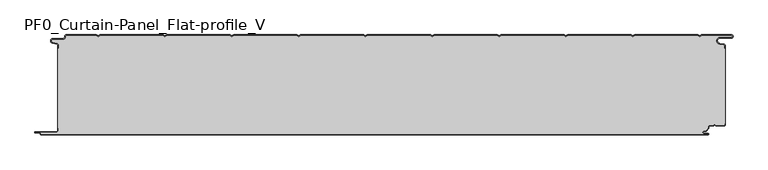
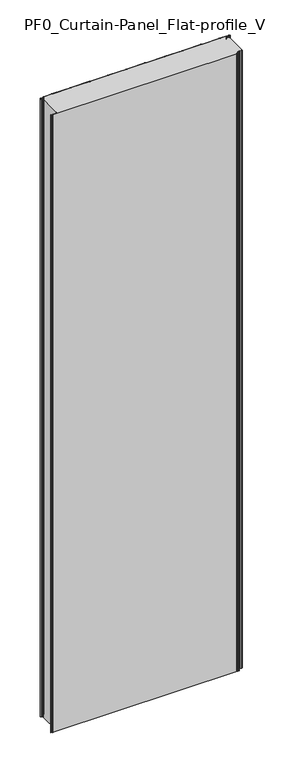
"""IFC4 building model written with IfcOpenShell, lengths in millimetres: plate geometry, PF0_Curtain-Panel_Flat-profile_V."""

from ifc_helpers import new_model, si_unit, point, frame, frame_2d, origin, origin_with_axes, place, context, project, spatial, polyline, circle_curve, trimmed, segment, composite_curve, outline, extrude, source, transform, mapped, element, save
from ifc_brep_helpers import plane_surface, cylinder_surface, revolved_surface, advanced_brep


def pf0_curtain_panel_flat_profile_v_de3e0078(model_context):
    return source(origin(), model_context, "Body", "SolidModel", [
        advanced_brep(
        [(-500.0, -15.878557, 3500.0), (-500.0, -20.0, 3500.0), (-499.2, -20.0, 3500.0), (-499.2, -15.878557, 3500.0), (-501.370137, -13.1503208, 3500.0), (-507.529863, -11.728236, 3500.0), (-506.9, -6.2, 3500.0), (-491.4, -6.2, 3500.0), (-488.6, -3.4, 3500.0), (-488.6, -2.0, 3500.0), (-487.4, -0.8, 3500.0), (-442.3143588, -0.8, 3500.0), (-439.4, -2.482606, 3500.0), (-436.4856412, -0.8, 3500.0), (-342.3143588, -0.8, 3500.0), (-339.4, -2.482606, 3500.0), (-336.4856412, -0.8, 3500.0), (-242.3143588, -0.8, 3500.0), (-239.4, -2.482606, 3500.0), (-236.4856412, -0.8, 3500.0), (-142.3143588, -0.8, 3500.0), (-139.4, -2.482606, 3500.0), (-136.4856412, -0.8, 3500.0), (-42.3143588, -0.8, 3500.0), (-39.4, -2.482606, 3500.0), (-36.4856412, -0.8, 3500.0), (57.6856412, -0.8, 3500.0), (60.6, -2.482606, 3500.0), (63.5143588, -0.8, 3500.0), (157.6856412, -0.8, 3500.0), (160.6, -2.482606, 3500.0), (163.5143588, -0.8, 3500.0), (257.6856412, -0.8, 3500.0), (260.6, -2.482606, 3500.0), (263.5143588, -0.8, 3500.0), (357.6856412, -0.8, 3500.0), (360.6, -2.482606, 3500.0), (363.5143588, -0.8, 3500.0), (457.6856412, -0.8, 3500.0), (460.6, -2.482606, 3500.0), (463.5143588, -0.8, 3500.0), (508.1, -0.8, 3500.0), (508.1, -4.2, 3500.0), (491.1, -4.2, 3500.0), (490.2664884, -13.7270771, 3500.0), (496.7125669, -14.8636953, 3500.0), (498.2, -16.6363492, 3500.0), (498.2, -20.0, 3500.0), (499.0, -20.0, 3500.0), (499.0, -16.6363492, 3500.0), (496.8514855, -14.0758491, 3500.0), (490.405407, -12.939231, 3500.0), (491.1, -5.0, 3500.0), (508.1, -5.0, 3500.0), (510.6, -2.5, 3500.0), (508.1, 0.0, 3500.0), (463.2999995, 0.0, 3500.0), (460.6, -1.5588455, 3500.0), (457.9000005, 0.0, 3500.0), (363.2999995, 0.0, 3500.0), (360.6, -1.5588455, 3500.0), (357.9000005, 0.0, 3500.0), (263.2999995, 0.0, 3500.0), (260.6, -1.5588455, 3500.0), (257.9000005, 0.0, 3500.0), (163.2999995, 0.0, 3500.0), (160.6, -1.5588455, 3500.0), (157.9000005, 0.0, 3500.0), (63.2999995, 0.0, 3500.0), (60.6, -1.5588455, 3500.0), (57.9000005, 0.0, 3500.0), (-36.7000005, 0.0, 3500.0), (-39.4, -1.5588455, 3500.0), (-42.0999995, 0.0, 3500.0), (-136.7000005, 0.0, 3500.0), (-139.4, -1.5588455, 3500.0), (-142.0999995, 0.0, 3500.0), (-236.7000005, 0.0, 3500.0), (-239.4, -1.5588455, 3500.0), (-242.0999995, 0.0, 3500.0), (-336.7000005, 0.0, 3500.0), (-339.4, -1.5588455, 3500.0), (-342.0999995, 0.0, 3500.0), (-436.7000005, 0.0, 3500.0), (-439.4, -1.5588455, 3500.0), (-442.0999995, 0.0, 3500.0), (-487.4, 0.0, 3500.0), (-489.4, -2.0, 3500.0), (-489.4, -3.4, 3500.0), (-491.4, -5.4, 3500.0), (-506.9, -5.4, 3500.0), (-507.7098239, -12.5077322, 3500.0), (-501.5500979, -13.929817, 3500.0), (-500.0, -15.878557, 0.0), (-501.5500978, -13.9298169, 0.0), (-507.7098239, -12.507732, 0.0), (-506.9, -5.4, 0.0), (-491.4, -5.4, 0.0), (-489.4, -3.4, 0.0), (-489.4, -2.0, 0.0), (-487.4, 0.0, 0.0), (-442.0999995, 0.0, 0.0), (-439.4, -1.5588455, 0.0), (-436.7000005, 0.0, 0.0), (-342.0999995, 0.0, 0.0), (-339.4, -1.5588455, 0.0), (-336.7000005, 0.0, 0.0), (-242.0999995, 0.0, 0.0), (-239.4, -1.5588455, 0.0), (-236.7000005, 0.0, 0.0), (-142.0999995, 0.0, 0.0), (-139.4, -1.5588455, 0.0), (-136.7000005, 0.0, 0.0), (-42.0999995, 0.0, 0.0), (-39.4, -1.5588455, 0.0), (-36.7000005, 0.0, 0.0), (57.9000005, 0.0, 0.0), (60.6, -1.5588455, 0.0), (63.2999995, 0.0, 0.0), (157.9000005, 0.0, 0.0), (160.6, -1.5588455, 0.0), (163.2999995, 0.0, 0.0), (257.9000005, 0.0, 0.0), (260.6, -1.5588455, 0.0), (263.2999995, 0.0, 0.0), (357.9000005, 0.0, 0.0), (360.6, -1.5588455, 0.0), (363.2999995, 0.0, 0.0), (457.9000005, 0.0, 0.0), (460.6, -1.5588455, 0.0), (463.2999995, 0.0, 0.0), (508.1, 0.0, 0.0), (510.6, -2.5, 0.0), (508.1, -5.0, 0.0), (491.1, -5.0, 0.0), (490.405407, -12.939231, 0.0), (496.8514855, -14.0758491, 0.0), (499.0, -16.6363492, 0.0), (499.0, -20.0, 0.0), (498.2, -20.0, 0.0), (498.2, -16.6363492, 0.0), (496.7125669, -14.8636953, 0.0), (490.2664884, -13.7270772, 0.0), (491.1, -4.2, 0.0), (508.1, -4.2, 0.0), (508.1, -0.8, 0.0), (463.5143588, -0.8, 0.0), (460.6, -2.482606, 0.0), (457.6856412, -0.8, 0.0), (363.5143588, -0.8, 0.0), (360.6, -2.482606, 0.0), (357.6856412, -0.8, 0.0), (263.5143588, -0.8, 0.0), (260.6, -2.482606, 0.0), (257.6856412, -0.8, 0.0), (163.5143588, -0.8, 0.0), (160.6, -2.482606, 0.0), (157.6856412, -0.8, 0.0), (63.5143588, -0.8, 0.0), (60.6, -2.482606, 0.0), (57.6856412, -0.8, 0.0), (-36.4856412, -0.8, 0.0), (-39.4, -2.482606, 0.0), (-42.3143588, -0.8, 0.0), (-136.4856412, -0.8, 0.0), (-139.4, -2.482606, 0.0), (-142.3143588, -0.8, 0.0), (-236.4856412, -0.8, 0.0), (-239.4, -2.482606, 0.0), (-242.3143588, -0.8, 0.0), (-336.4856412, -0.8, 0.0), (-339.4, -2.482606, 0.0), (-342.3143588, -0.8, 0.0), (-436.4856412, -0.8, 0.0), (-439.4, -2.482606, 0.0), (-442.3143588, -0.8, 0.0), (-487.4, -0.8, 0.0), (-488.6, -2.0, 0.0), (-488.6, -3.4, 0.0), (-491.4, -6.2, 0.0), (-506.9, -6.2, 0.0), (-507.529863, -11.7282362, 0.0), (-501.370137, -13.150321, 0.0), (-499.2, -15.878557, 0.0), (-499.2, -20.0, 0.0), (-500.0, -20.0, 0.0)],
        [
            (0, 1),
            (1, 2),
            (2, 3),
            (3, 4, circle_curve(frame((-502.0, -15.878557, 3500.0), z_axis=(0.0, 0.0, 1.0), x_axis=(1.0, 0.0, 0.0)), 2.8)),
            (4, 5),
            (5, 6, circle_curve(frame((-506.9, -9.0, 3500.0), z_axis=(0.0, 0.0, -1.0), x_axis=(1.0, 0.0, 0.0)), 2.8)),
            (6, 7),
            (7, 8, circle_curve(frame((-491.4, -3.4, 3500.0), z_axis=(0.0, 0.0, 1.0), x_axis=(1.0, 0.0, 0.0)), 2.8)),
            (8, 9),
            (9, 10, circle_curve(frame((-487.4, -2.0, 3500.0), z_axis=(0.0, 0.0, -1.0), x_axis=(1.0, 0.0, 0.0)), 1.2)),
            (10, 11),
            (11, 12),
            (12, 13),
            (13, 14),
            (14, 15),
            (15, 16),
            (16, 17),
            (17, 18),
            (18, 19),
            (19, 20),
            (20, 21),
            (21, 22),
            (22, 23),
            (23, 24),
            (24, 25),
            (25, 26),
            (26, 27),
            (27, 28),
            (28, 29),
            (29, 30),
            (30, 31),
            (31, 32),
            (32, 33),
            (33, 34),
            (34, 35),
            (35, 36),
            (36, 37),
            (37, 38),
            (38, 39),
            (39, 40),
            (40, 41),
            (41, 42, circle_curve(frame((508.1, -2.5, 3500.0), z_axis=(0.0, 0.0, -1.0), x_axis=(1.0, 0.0, 0.0)), 1.7)),
            (42, 43),
            (43, 44, circle_curve(frame((491.1, -9.0, 3500.0), z_axis=(0.0, 0.0, 1.0), x_axis=(1.0, 0.0, 0.0)), 4.8)),
            (44, 45),
            (45, 46, circle_curve(frame((496.4, -16.6363492, 3500.0), z_axis=(0.0, 0.0, -1.0), x_axis=(1.0, 0.0, 0.0)), 1.8)),
            (46, 47),
            (47, 48),
            (48, 49),
            (49, 50, circle_curve(frame((496.4, -16.6363492, 3500.0), z_axis=(0.0, 0.0, 1.0), x_axis=(1.0, 0.0, 0.0)), 2.6)),
            (50, 51),
            (51, 52, circle_curve(frame((491.1, -9.0, 3500.0), z_axis=(0.0, 0.0, -1.0), x_axis=(1.0, 0.0, 0.0)), 4.0)),
            (52, 53),
            (53, 54, circle_curve(frame((508.1, -2.5, 3500.0), z_axis=(0.0, 0.0, 1.0), x_axis=(1.0, 0.0, 0.0)), 2.5)),
            (54, 55, circle_curve(frame((508.1, -2.5, 3500.0), z_axis=(0.0, 0.0, 1.0), x_axis=(1.0, 0.0, 0.0)), 2.5)),
            (55, 56),
            (56, 57),
            (57, 58),
            (58, 59),
            (59, 60),
            (60, 61),
            (61, 62),
            (62, 63),
            (63, 64),
            (64, 65),
            (65, 66),
            (66, 67),
            (67, 68),
            (68, 69),
            (69, 70),
            (70, 71),
            (71, 72),
            (72, 73),
            (73, 74),
            (74, 75),
            (75, 76),
            (76, 77),
            (77, 78),
            (78, 79),
            (79, 80),
            (80, 81),
            (81, 82),
            (82, 83),
            (83, 84),
            (84, 85),
            (85, 86),
            (86, 87, circle_curve(frame((-487.4, -2.0, 3500.0), z_axis=(0.0, 0.0, 1.0), x_axis=(1.0, 0.0, 0.0)), 2.0)),
            (87, 88),
            (88, 89, circle_curve(frame((-491.4, -3.4, 3500.0), z_axis=(0.0, 0.0, -1.0), x_axis=(1.0, 0.0, 0.0)), 2.0)),
            (89, 90),
            (90, 91, circle_curve(frame((-506.9, -9.0, 3500.0), z_axis=(0.0, 0.0, 1.0), x_axis=(1.0, 0.0, 0.0)), 3.6)),
            (91, 92),
            (92, 0, circle_curve(frame((-502.0, -15.878557, 3500.0), z_axis=(0.0, 0.0, -1.0), x_axis=(1.0, 0.0, 0.0)), 2.0)),
            (93, 94, circle_curve(frame((-502.0, -15.878557, 0.0), z_axis=(0.0, 0.0, 1.0), x_axis=(1.0, 0.0, 0.0)), 2.0)),
            (94, 95),
            (95, 96, circle_curve(frame((-506.9, -9.0, 0.0), z_axis=(0.0, 0.0, -1.0), x_axis=(1.0, 0.0, 0.0)), 3.6)),
            (96, 97),
            (97, 98, circle_curve(frame((-491.4, -3.4, 0.0), z_axis=(0.0, 0.0, 1.0), x_axis=(1.0, 0.0, 0.0)), 2.0)),
            (98, 99),
            (99, 100, circle_curve(frame((-487.4, -2.0, 0.0), z_axis=(0.0, 0.0, -1.0), x_axis=(1.0, 0.0, 0.0)), 2.0)),
            (100, 101),
            (101, 102),
            (102, 103),
            (103, 104),
            (104, 105),
            (105, 106),
            (106, 107),
            (107, 108),
            (108, 109),
            (109, 110),
            (110, 111),
            (111, 112),
            (112, 113),
            (113, 114),
            (114, 115),
            (115, 116),
            (116, 117),
            (117, 118),
            (118, 119),
            (119, 120),
            (120, 121),
            (121, 122),
            (122, 123),
            (123, 124),
            (124, 125),
            (125, 126),
            (126, 127),
            (127, 128),
            (128, 129),
            (129, 130),
            (130, 131),
            (131, 132, circle_curve(frame((508.1, -2.5, 0.0), z_axis=(0.0, 0.0, -1.0), x_axis=(1.0, 0.0, 0.0)), 2.5)),
            (132, 133, circle_curve(frame((508.1, -2.5, 0.0), z_axis=(0.0, 0.0, -1.0), x_axis=(1.0, 0.0, 0.0)), 2.5)),
            (133, 134),
            (134, 135, circle_curve(frame((491.1, -9.0, 0.0), z_axis=(0.0, 0.0, 1.0), x_axis=(1.0, 0.0, 0.0)), 4.0)),
            (135, 136),
            (136, 137, circle_curve(frame((496.4, -16.6363492, 0.0), z_axis=(0.0, 0.0, -1.0), x_axis=(1.0, 0.0, 0.0)), 2.6)),
            (137, 138),
            (138, 139),
            (139, 140),
            (140, 141, circle_curve(frame((496.4, -16.6363492, 0.0), z_axis=(0.0, 0.0, 1.0), x_axis=(1.0, 0.0, 0.0)), 1.8)),
            (141, 142),
            (142, 143, circle_curve(frame((491.1, -9.0, 0.0), z_axis=(0.0, 0.0, -1.0), x_axis=(1.0, 0.0, 0.0)), 4.8)),
            (143, 144),
            (144, 145, circle_curve(frame((508.1, -2.5, 0.0), z_axis=(0.0, 0.0, 1.0), x_axis=(1.0, 0.0, 0.0)), 1.7)),
            (145, 146),
            (146, 147),
            (147, 148),
            (148, 149),
            (149, 150),
            (150, 151),
            (151, 152),
            (152, 153),
            (153, 154),
            (154, 155),
            (155, 156),
            (156, 157),
            (157, 158),
            (158, 159),
            (159, 160),
            (160, 161),
            (161, 162),
            (162, 163),
            (163, 164),
            (164, 165),
            (165, 166),
            (166, 167),
            (167, 168),
            (168, 169),
            (169, 170),
            (170, 171),
            (171, 172),
            (172, 173),
            (173, 174),
            (174, 175),
            (175, 176),
            (176, 177, circle_curve(frame((-487.4, -2.0, 0.0), z_axis=(0.0, 0.0, 1.0), x_axis=(1.0, 0.0, 0.0)), 1.2)),
            (177, 178),
            (178, 179, circle_curve(frame((-491.4, -3.4, 0.0), z_axis=(0.0, 0.0, -1.0), x_axis=(1.0, 0.0, 0.0)), 2.8)),
            (179, 180),
            (180, 181, circle_curve(frame((-506.9, -9.0, 0.0), z_axis=(0.0, 0.0, 1.0), x_axis=(1.0, 0.0, 0.0)), 2.8)),
            (181, 182),
            (182, 183, circle_curve(frame((-502.0, -15.878557, 0.0), z_axis=(0.0, 0.0, -1.0), x_axis=(1.0, 0.0, 0.0)), 2.8)),
            (183, 184),
            (184, 185),
            (185, 93),
            (0, 93),
            (185, 1),
            (184, 2),
            (183, 3),
            (182, 4),
            (181, 5),
            (180, 6),
            (179, 7),
            (178, 8),
            (177, 9),
            (176, 10),
            (175, 11),
            (174, 12),
            (173, 13),
            (172, 14),
            (171, 15),
            (170, 16),
            (169, 17),
            (168, 18),
            (167, 19),
            (166, 20),
            (165, 21),
            (164, 22),
            (163, 23),
            (162, 24),
            (161, 25),
            (160, 26),
            (159, 27),
            (158, 28),
            (157, 29),
            (156, 30),
            (155, 31),
            (154, 32),
            (153, 33),
            (152, 34),
            (151, 35),
            (150, 36),
            (149, 37),
            (148, 38),
            (147, 39),
            (146, 40),
            (145, 41),
            (144, 42),
            (143, 43),
            (142, 44),
            (141, 45),
            (140, 46),
            (139, 47),
            (138, 48),
            (137, 49),
            (136, 50),
            (135, 51),
            (134, 52),
            (133, 53),
            (131, 55),
            (56, 130),
            (129, 57),
            (128, 58),
            (127, 59),
            (126, 60),
            (125, 61),
            (124, 62),
            (123, 63),
            (122, 64),
            (121, 65),
            (120, 66),
            (119, 67),
            (118, 68),
            (117, 69),
            (116, 70),
            (115, 71),
            (114, 72),
            (113, 73),
            (112, 74),
            (111, 75),
            (110, 76),
            (109, 77),
            (108, 78),
            (107, 79),
            (106, 80),
            (105, 81),
            (104, 82),
            (103, 83),
            (102, 84),
            (101, 85),
            (100, 86),
            (99, 87),
            (98, 88),
            (97, 89),
            (96, 90),
            (95, 91),
            (94, 92),
        ],
        [
            plane_surface(frame((-500.0, 0.0, 3500.0), z_axis=(0.0, 0.0, 1.0), x_axis=(0.0, 1.0, 0.0))),
            plane_surface(frame((-500.0, 0.0, 0.0), z_axis=(0.0, 0.0, -1.0), x_axis=(0.0, 1.0, 0.0))),
            plane_surface(frame((-500.0, -15.878557, 3500.0), z_axis=(-1.0, 0.0, 0.0), x_axis=(0.0, 0.0, -1.0))),
            plane_surface(frame((-500.0, -20.0, 3500.0), z_axis=(0.0, -1.0, 0.0), x_axis=(0.0, 0.0, -1.0))),
            plane_surface(frame((-499.2, -20.0, 3500.0), z_axis=(1.0, 0.0, 0.0), x_axis=(0.0, 0.0, -1.0))),
            cylinder_surface(frame((-502.0, -15.878557, 3500.0), z_axis=(0.0, 0.0, 1.0), x_axis=(1.0, 0.0, 0.0)), 2.8),
            plane_surface(frame((-501.370137, -13.150321, 3500.0), z_axis=(0.22495108446242484, 0.9743700578318174, 0.0), x_axis=(0.0, 0.0, -1.0))),
            revolved_surface(polyline([(-504.09999999999997, -9.0, 0.0), (-504.09999999999997, -9.0, 3500.0)]), (-506.9, -9.0, 3500.0), (0.0, 0.0, -1.0)),
            plane_surface(frame((-506.9, -6.2, 3500.0), z_axis=(0.0, -1.0, 0.0), x_axis=(0.0, 0.0, -1.0))),
            cylinder_surface(frame((-491.4, -3.4, 3500.0), z_axis=(0.0, 0.0, 1.0), x_axis=(1.0, 0.0, 0.0)), 2.8),
            plane_surface(frame((-488.6, -3.4, 3500.0), z_axis=(1.0, 0.0, 0.0), x_axis=(0.0, 0.0, -1.0))),
            revolved_surface(polyline([(-486.2, -2.0, 0.0), (-486.2, -2.0, 3500.0)]), (-487.4, -2.0, 3500.0), (0.0, 0.0, -1.0)),
            plane_surface(frame((-487.4, -0.8, 3500.0), z_axis=(0.0, -1.0, 0.0), x_axis=(0.0, 0.0, -1.0))),
            plane_surface(frame((-442.3143588, -0.8, 3500.0), z_axis=(-0.5000000299313342, -0.8660253865035741, 0.0), x_axis=(0.0, 0.0, -1.0))),
            plane_surface(frame((-439.4, -2.482606, 3500.0), z_axis=(0.5000000299313233, -0.8660253865035805, 0.0), x_axis=(0.0, 0.0, -1.0))),
            plane_surface(frame((-436.4856412, -0.8, 3500.0), z_axis=(0.0, -1.0, 0.0), x_axis=(0.0, 0.0, -1.0))),
            plane_surface(frame((-342.3143588, -0.8, 3500.0), z_axis=(-0.5000000299313346, -0.8660253865035739, 0.0), x_axis=(0.0, 0.0, -1.0))),
            plane_surface(frame((-339.4, -2.482606, 3500.0), z_axis=(0.5000000299313251, -0.8660253865035794, 0.0), x_axis=(0.0, 0.0, -1.0))),
            plane_surface(frame((-336.4856412, -0.8, 3500.0), z_axis=(0.0, -1.0, 0.0), x_axis=(0.0, 0.0, -1.0))),
            plane_surface(frame((-242.3143588, -0.8, 3500.0), z_axis=(-0.5000000299313346, -0.866025386503574, 0.0), x_axis=(0.0, 0.0, -1.0))),
            plane_surface(frame((-239.4, -2.482606, 3500.0), z_axis=(0.5000000299313251, -0.8660253865035794, 0.0), x_axis=(0.0, 0.0, -1.0))),
            plane_surface(frame((-236.4856412, -0.8, 3500.0), z_axis=(0.0, -1.0, 0.0), x_axis=(0.0, 0.0, -1.0))),
            plane_surface(frame((-142.3143588, -0.8, 3500.0), z_axis=(-0.5000000299313349, -0.8660253865035739, 0.0), x_axis=(0.0, 0.0, -1.0))),
            plane_surface(frame((-139.4, -2.482606, 3500.0), z_axis=(0.5000000299313233, -0.8660253865035805, 0.0), x_axis=(0.0, 0.0, -1.0))),
            plane_surface(frame((-136.4856412, -0.8, 3500.0), z_axis=(0.0, -1.0, 0.0), x_axis=(0.0, 0.0, -1.0))),
            plane_surface(frame((-42.3143588, -0.8, 3500.0), z_axis=(-0.5000000299313346, -0.866025386503574, 0.0), x_axis=(0.0, 0.0, -1.0))),
            plane_surface(frame((-39.4, -2.482606, 3500.0), z_axis=(0.5000000299313239, -0.8660253865035802, 0.0), x_axis=(0.0, 0.0, -1.0))),
            plane_surface(frame((-36.4856412, -0.8, 3500.0), z_axis=(0.0, -1.0, 0.0), x_axis=(0.0, 0.0, -1.0))),
            plane_surface(frame((57.6856412, -0.8, 3500.0), z_axis=(-0.5000000299313347, -0.8660253865035739, 0.0), x_axis=(0.0, 0.0, -1.0))),
            plane_surface(frame((60.6, -2.482606, 3500.0), z_axis=(0.5000000299313232, -0.8660253865035805, 0.0), x_axis=(0.0, 0.0, -1.0))),
            plane_surface(frame((63.5143588, -0.8, 3500.0), z_axis=(0.0, -1.0, 0.0), x_axis=(0.0, 0.0, -1.0))),
            plane_surface(frame((157.6856412, -0.8, 3500.0), z_axis=(-0.5000000299313346, -0.866025386503574, 0.0), x_axis=(0.0, 0.0, -1.0))),
            plane_surface(frame((160.6, -2.482606, 3500.0), z_axis=(0.5000000299313262, -0.8660253865035787, 0.0), x_axis=(0.0, 0.0, -1.0))),
            plane_surface(frame((163.5143588, -0.8, 3500.0), z_axis=(0.0, -1.0, 0.0), x_axis=(0.0, 0.0, -1.0))),
            plane_surface(frame((257.6856412, -0.8, 3500.0), z_axis=(-0.5000000299313346, -0.8660253865035739, 0.0), x_axis=(0.0, 0.0, -1.0))),
            plane_surface(frame((260.6, -2.482606, 3500.0), z_axis=(0.5000000299313263, -0.8660253865035787, 0.0), x_axis=(0.0, 0.0, -1.0))),
            plane_surface(frame((263.5143588, -0.8, 3500.0), z_axis=(0.0, -1.0, 0.0), x_axis=(0.0, 0.0, -1.0))),
            plane_surface(frame((357.6856412, -0.8, 3500.0), z_axis=(-0.5000000299313346, -0.8660253865035739, 0.0), x_axis=(0.0, 0.0, -1.0))),
            plane_surface(frame((360.6, -2.482606, 3500.0), z_axis=(0.5000000299313255, -0.8660253865035792, 0.0), x_axis=(0.0, 0.0, -1.0))),
            plane_surface(frame((363.5143588, -0.8, 3500.0), z_axis=(0.0, -1.0, 0.0), x_axis=(0.0, 0.0, -1.0))),
            plane_surface(frame((457.6856412, -0.8, 3500.0), z_axis=(-0.5000000299313347, -0.8660253865035739, 0.0), x_axis=(0.0, 0.0, -1.0))),
            plane_surface(frame((460.6, -2.482606, 3500.0), z_axis=(0.5000000299313263, -0.8660253865035787, 0.0), x_axis=(0.0, 0.0, -1.0))),
            plane_surface(frame((463.5143588, -0.8, 3500.0), z_axis=(0.0, -1.0, 0.0), x_axis=(0.0, 0.0, -1.0))),
            revolved_surface(polyline([(509.8, -2.5, 0.0), (509.8, -2.5, 3500.0)]), (508.1, -2.5, 3500.0), (0.0, 0.0, -1.0)),
            plane_surface(frame((508.1, -4.2, 3500.0), z_axis=(0.0, 1.0, 0.0), x_axis=(0.0, 0.0, -1.0))),
            cylinder_surface(frame((491.1, -9.0, 3500.0), z_axis=(0.0, 0.0, 1.0), x_axis=(1.0, 0.0, 0.0)), 4.8),
            plane_surface(frame((490.2664884, -13.7270772, 3500.0), z_axis=(-0.17364825602592485, -0.9848077391954, 0.0), x_axis=(0.0, 0.0, -1.0))),
            revolved_surface(polyline([(498.2, -16.6363492, 0.0), (498.2, -16.6363492, 3500.0)]), (496.4, -16.6363492, 3500.0), (0.0, 0.0, -1.0)),
            plane_surface(frame((498.2, -16.6363492, 3500.0), z_axis=(-1.0, 0.0, 0.0), x_axis=(0.0, 0.0, -1.0))),
            plane_surface(frame((498.2, -20.0, 3500.0), z_axis=(0.0, -1.0, 0.0), x_axis=(0.0, 0.0, -1.0))),
            plane_surface(frame((499.0, -20.0, 3500.0), z_axis=(1.0, 0.0, 0.0), x_axis=(0.0, 0.0, -1.0))),
            cylinder_surface(frame((496.4, -16.6363492, 3500.0), z_axis=(0.0, 0.0, 1.0), x_axis=(1.0, 0.0, 0.0)), 2.6),
            plane_surface(frame((496.8514855, -14.0758491, 3500.0), z_axis=(0.1736482560259256, 0.9848077391953998, 0.0), x_axis=(0.0, 0.0, -1.0))),
            revolved_surface(polyline([(495.1, -9.0, 0.0), (495.1, -9.0, 3500.0)]), (491.1, -9.0, 3500.0), (0.0, 0.0, -1.0)),
            plane_surface(frame((491.1, -5.0, 3500.0), z_axis=(0.0, -1.0, 0.0), x_axis=(0.0, 0.0, -1.0))),
            cylinder_surface(frame((508.1, -2.5, 3500.0), z_axis=(0.0, 0.0, 1.0), x_axis=(1.0, 0.0, 0.0)), 2.5),
            plane_surface(frame((463.2999995, 0.0, 3500.0), z_axis=(-0.5000000299313235, 0.8660253865035803, 0.0), x_axis=(0.0, 0.0, -1.0))),
            plane_surface(frame((460.6, -1.5588455, 3500.0), z_axis=(0.5000000299313346, 0.8660253865035739, 0.0), x_axis=(0.0, 0.0, -1.0))),
            plane_surface(frame((457.9000005, 0.0, 3500.0), z_axis=(0.0, 1.0, 0.0), x_axis=(0.0, 0.0, -1.0))),
            plane_surface(frame((363.2999995, 0.0, 3500.0), z_axis=(-0.5000000299313235, 0.8660253865035803, 0.0), x_axis=(0.0, 0.0, -1.0))),
            plane_surface(frame((360.6, -1.5588455, 3500.0), z_axis=(0.5000000299313346, 0.8660253865035739, 0.0), x_axis=(0.0, 0.0, -1.0))),
            plane_surface(frame((357.9000005, 0.0, 3500.0), z_axis=(0.0, 1.0, 0.0), x_axis=(0.0, 0.0, -1.0))),
            plane_surface(frame((263.2999995, 0.0, 3500.0), z_axis=(-0.5000000299313235, 0.8660253865035803, 0.0), x_axis=(0.0, 0.0, -1.0))),
            plane_surface(frame((260.6, -1.5588455, 3500.0), z_axis=(0.5000000299313346, 0.8660253865035739, 0.0), x_axis=(0.0, 0.0, -1.0))),
            plane_surface(frame((257.9000005, 0.0, 3500.0), z_axis=(0.0, 1.0, 0.0), x_axis=(0.0, 0.0, -1.0))),
            plane_surface(frame((163.2999995, 0.0, 3500.0), z_axis=(-0.5000000299313235, 0.8660253865035803, 0.0), x_axis=(0.0, 0.0, -1.0))),
            plane_surface(frame((160.6, -1.5588455, 3500.0), z_axis=(0.5000000299313346, 0.8660253865035739, 0.0), x_axis=(0.0, 0.0, -1.0))),
            plane_surface(frame((157.9000005, 0.0, 3500.0), z_axis=(0.0, 1.0, 0.0), x_axis=(0.0, 0.0, -1.0))),
            plane_surface(frame((63.2999995, 0.0, 3500.0), z_axis=(-0.5000000299313235, 0.8660253865035803, 0.0), x_axis=(0.0, 0.0, -1.0))),
            plane_surface(frame((60.6, -1.5588455, 3500.0), z_axis=(0.5000000299313346, 0.8660253865035739, 0.0), x_axis=(0.0, 0.0, -1.0))),
            plane_surface(frame((57.9000005, 0.0, 3500.0), z_axis=(0.0, 1.0, 0.0), x_axis=(0.0, 0.0, -1.0))),
            plane_surface(frame((-36.7000005, 0.0, 3500.0), z_axis=(-0.5000000299313235, 0.8660253865035803, 0.0), x_axis=(0.0, 0.0, -1.0))),
            plane_surface(frame((-39.4, -1.5588455, 3500.0), z_axis=(0.5000000299313346, 0.8660253865035739, 0.0), x_axis=(0.0, 0.0, -1.0))),
            plane_surface(frame((-42.0999995, 0.0, 3500.0), z_axis=(0.0, 1.0, 0.0), x_axis=(0.0, 0.0, -1.0))),
            plane_surface(frame((-136.7000005, 0.0, 3500.0), z_axis=(-0.5000000299313235, 0.8660253865035803, 0.0), x_axis=(0.0, 0.0, -1.0))),
            plane_surface(frame((-139.4, -1.5588455, 3500.0), z_axis=(0.5000000299313346, 0.8660253865035739, 0.0), x_axis=(0.0, 0.0, -1.0))),
            plane_surface(frame((-142.0999995, 0.0, 3500.0), z_axis=(0.0, 1.0, 0.0), x_axis=(0.0, 0.0, -1.0))),
            plane_surface(frame((-236.7000005, 0.0, 3500.0), z_axis=(-0.5000000299313235, 0.8660253865035803, 0.0), x_axis=(0.0, 0.0, -1.0))),
            plane_surface(frame((-239.4, -1.5588455, 3500.0), z_axis=(0.5000000299313346, 0.8660253865035739, 0.0), x_axis=(0.0, 0.0, -1.0))),
            plane_surface(frame((-242.0999995, 0.0, 3500.0), z_axis=(0.0, 1.0, 0.0), x_axis=(0.0, 0.0, -1.0))),
            plane_surface(frame((-336.7000005, 0.0, 3500.0), z_axis=(-0.5000000299313235, 0.8660253865035803, 0.0), x_axis=(0.0, 0.0, -1.0))),
            plane_surface(frame((-339.4, -1.5588455, 3500.0), z_axis=(0.5000000299313346, 0.8660253865035739, 0.0), x_axis=(0.0, 0.0, -1.0))),
            plane_surface(frame((-342.0999995, 0.0, 3500.0), z_axis=(0.0, 1.0, 0.0), x_axis=(0.0, 0.0, -1.0))),
            plane_surface(frame((-436.7000005, 0.0, 3500.0), z_axis=(-0.5000000299313235, 0.8660253865035803, 0.0), x_axis=(0.0, 0.0, -1.0))),
            plane_surface(frame((-439.4, -1.5588455, 3500.0), z_axis=(0.5000000299313346, 0.8660253865035739, 0.0), x_axis=(0.0, 0.0, -1.0))),
            plane_surface(frame((-442.0999995, 0.0, 3500.0), z_axis=(0.0, 1.0, 0.0), x_axis=(0.0, 0.0, -1.0))),
            cylinder_surface(frame((-487.4, -2.0, 3500.0), z_axis=(0.0, 0.0, 1.0), x_axis=(1.0, 0.0, 0.0)), 2.0),
            plane_surface(frame((-489.4, -2.0, 3500.0), z_axis=(-1.0, 0.0, 0.0), x_axis=(0.0, 0.0, -1.0))),
            revolved_surface(polyline([(-489.4, -3.4, 0.0), (-489.4, -3.4, 3500.0)]), (-491.4, -3.4, 3500.0), (0.0, 0.0, -1.0)),
            plane_surface(frame((-491.4, -5.4, 3500.0), z_axis=(0.0, 1.0, 0.0), x_axis=(0.0, 0.0, -1.0))),
            cylinder_surface(frame((-506.9, -9.0, 3500.0), z_axis=(0.0, 0.0, 1.0), x_axis=(1.0, 0.0, 0.0)), 3.6),
            plane_surface(frame((-507.7098239, -12.507732, 3500.0), z_axis=(-0.22495108446242487, -0.9743700578318174, 0.0), x_axis=(0.0, 0.0, -1.0))),
            revolved_surface(polyline([(-500.0, -15.878557, 0.0), (-500.0, -15.878557, 3500.0)]), (-502.0, -15.878557, 3500.0), (0.0, 0.0, -1.0)),
            plane_surface(frame((508.1, 0.0, 3500.0), z_axis=(0.0, 1.0, 0.0), x_axis=(0.0, 0.0, -1.0))),
        ],
        [
            (0, [[1, 2, 3, 4, 5, 6, 7, 8, 9, 10, 11, 12, 13, 14, 15, 16, 17, 18, 19, 20, 21, 22, 23, 24, 25, 26, 27, 28, 29, 30, 31, 32, 33, 34, 35, 36, 37, 38, 39, 40, 41, 42, 43, 44, 45, 46, 47, 48, 49, 50, 51, 52, 53, 54, 55, 56, 57, 58, 59, 60, 61, 62, 63, 64, 65, 66, 67, 68, 69, 70, 71, 72, 73, 74, 75, 76, 77, 78, 79, 80, 81, 82, 83, 84, 85, 86, 87, 88, 89, 90, 91, 92, 93]]),
            (1, [[94, 95, 96, 97, 98, 99, 100, 101, 102, 103, 104, 105, 106, 107, 108, 109, 110, 111, 112, 113, 114, 115, 116, 117, 118, 119, 120, 121, 122, 123, 124, 125, 126, 127, 128, 129, 130, 131, 132, 133, 134, 135, 136, 137, 138, 139, 140, 141, 142, 143, 144, 145, 146, 147, 148, 149, 150, 151, 152, 153, 154, 155, 156, 157, 158, 159, 160, 161, 162, 163, 164, 165, 166, 167, 168, 169, 170, 171, 172, 173, 174, 175, 176, 177, 178, 179, 180, 181, 182, 183, 184, 185, 186]]),
            (2, [[-1, 187, -186, 188]]),
            (3, [[-2, -188, -185, 189]]),
            (4, [[-3, -189, -184, 190]]),
            (5, [[-4, -190, -183, 191]]),
            (6, [[-5, -191, -182, 192]]),
            (7, [[-6, -192, -181, 193]]),
            (8, [[-7, -193, -180, 194]]),
            (9, [[-8, -194, -179, 195]]),
            (10, [[-9, -195, -178, 196]]),
            (11, [[-10, -196, -177, 197]]),
            (12, [[-11, -197, -176, 198]]),
            (13, [[-12, -198, -175, 199]]),
            (14, [[-13, -199, -174, 200]]),
            (15, [[-14, -200, -173, 201]]),
            (16, [[-15, -201, -172, 202]]),
            (17, [[-16, -202, -171, 203]]),
            (18, [[-17, -203, -170, 204]]),
            (19, [[-18, -204, -169, 205]]),
            (20, [[-19, -205, -168, 206]]),
            (21, [[-20, -206, -167, 207]]),
            (22, [[-21, -207, -166, 208]]),
            (23, [[-22, -208, -165, 209]]),
            (24, [[-23, -209, -164, 210]]),
            (25, [[-24, -210, -163, 211]]),
            (26, [[-25, -211, -162, 212]]),
            (27, [[-26, -212, -161, 213]]),
            (28, [[-27, -213, -160, 214]]),
            (29, [[-28, -214, -159, 215]]),
            (30, [[-29, -215, -158, 216]]),
            (31, [[-30, -216, -157, 217]]),
            (32, [[-31, -217, -156, 218]]),
            (33, [[-32, -218, -155, 219]]),
            (34, [[-33, -219, -154, 220]]),
            (35, [[-34, -220, -153, 221]]),
            (36, [[-35, -221, -152, 222]]),
            (37, [[-36, -222, -151, 223]]),
            (38, [[-37, -223, -150, 224]]),
            (39, [[-38, -224, -149, 225]]),
            (40, [[-39, -225, -148, 226]]),
            (41, [[-40, -226, -147, 227]]),
            (42, [[-41, -227, -146, 228]]),
            (43, [[-42, -228, -145, 229]]),
            (44, [[-43, -229, -144, 230]]),
            (45, [[-44, -230, -143, 231]]),
            (46, [[-45, -231, -142, 232]]),
            (47, [[-46, -232, -141, 233]]),
            (48, [[-47, -233, -140, 234]]),
            (49, [[-48, -234, -139, 235]]),
            (50, [[-49, -235, -138, 236]]),
            (51, [[-50, -236, -137, 237]]),
            (52, [[-51, -237, -136, 238]]),
            (53, [[-52, -238, -135, 239]]),
            (54, [[-53, -239, -134, 240]]),
            (55, [[-240, -133, -132, 241, -55, -54]]),
            (56, [[-57, 242, -130, 243]]),
            (57, [[-58, -243, -129, 244]]),
            (58, [[-59, -244, -128, 245]]),
            (59, [[-60, -245, -127, 246]]),
            (60, [[-61, -246, -126, 247]]),
            (61, [[-62, -247, -125, 248]]),
            (62, [[-63, -248, -124, 249]]),
            (63, [[-64, -249, -123, 250]]),
            (64, [[-65, -250, -122, 251]]),
            (65, [[-66, -251, -121, 252]]),
            (66, [[-67, -252, -120, 253]]),
            (67, [[-68, -253, -119, 254]]),
            (68, [[-69, -254, -118, 255]]),
            (69, [[-70, -255, -117, 256]]),
            (70, [[-71, -256, -116, 257]]),
            (71, [[-72, -257, -115, 258]]),
            (72, [[-73, -258, -114, 259]]),
            (73, [[-74, -259, -113, 260]]),
            (74, [[-75, -260, -112, 261]]),
            (75, [[-76, -261, -111, 262]]),
            (76, [[-77, -262, -110, 263]]),
            (77, [[-78, -263, -109, 264]]),
            (78, [[-79, -264, -108, 265]]),
            (79, [[-80, -265, -107, 266]]),
            (80, [[-81, -266, -106, 267]]),
            (81, [[-82, -267, -105, 268]]),
            (82, [[-83, -268, -104, 269]]),
            (83, [[-84, -269, -103, 270]]),
            (84, [[-85, -270, -102, 271]]),
            (85, [[-86, -271, -101, 272]]),
            (86, [[-87, -272, -100, 273]]),
            (87, [[-88, -273, -99, 274]]),
            (88, [[-89, -274, -98, 275]]),
            (89, [[-90, -275, -97, 276]]),
            (90, [[-91, -276, -96, 277]]),
            (91, [[-92, -277, -95, 278]]),
            (92, [[-93, -278, -94, -187]]),
            (93, [[-56, -241, -131, -242]]),
        ],
    ),
        extrude(outline(composite_curve([segment(polyline([(-499.2, -140.0), (-500.0, -140.0), (-500.0, -20.0), (-499.2, -20.0), (-499.2, -15.878557)]), True, "CONTINUOUS"), segment(trimmed(circle_curve(frame_2d((-502.0, -15.878557)), 2.8), [point((-499.2, -15.878557))], [point((-501.370137, -13.1503208))], True, "CARTESIAN"), True, "CONTINUOUS"), segment(polyline([(-501.370137, -13.1503208), (-507.529863, -11.7282362)]), True, "CONTINUOUS"), segment(trimmed(circle_curve(frame_2d((-506.9, -9.0)), 2.8), [point((-507.529863, -11.7282362))], [point((-506.9, -6.2))], False, "CARTESIAN"), True, "CONTINUOUS"), segment(polyline([(-506.9, -6.2), (-491.4, -6.2)]), True, "CONTINUOUS"), segment(trimmed(circle_curve(frame_2d((-491.4, -3.4)), 2.8), [point((-491.4, -6.2))], [point((-488.6, -3.4))], True, "CARTESIAN"), True, "CONTINUOUS"), segment(polyline([(-488.6, -3.4), (-488.6, -2.0)]), True, "CONTINUOUS"), segment(trimmed(circle_curve(frame_2d((-487.4, -2.0)), 1.2), [point((-488.6, -2.0))], [point((-487.4, -0.8))], False, "CARTESIAN"), True, "CONTINUOUS"), segment(polyline([(-487.4, -0.8), (-442.3143588, -0.8), (-439.4, -2.482606), (-436.4856412, -0.8), (-342.3143588, -0.8), (-339.4, -2.482606), (-336.4856412, -0.8), (-242.3143588, -0.8), (-239.4, -2.482606), (-236.4856412, -0.8), (-142.3143588, -0.8), (-139.4, -2.482606), (-136.4856412, -0.8), (-42.3143588, -0.8), (-39.4, -2.482606), (-36.4856412, -0.8), (57.6856412, -0.8), (60.6, -2.482606), (63.5143588, -0.8), (157.6856412, -0.8), (160.6, -2.482606), (163.5143588, -0.8), (257.6856412, -0.8), (260.6, -2.482606), (263.5143588, -0.8), (357.6856412, -0.8), (360.6, -2.482606), (363.5143588, -0.8), (457.6856412, -0.8), (460.6, -2.482606), (463.5143588, -0.8), (508.1, -0.8)]), True, "CONTINUOUS"), segment(trimmed(circle_curve(frame_2d((508.1, -2.5)), 1.7), [point((508.1, -0.8))], [point((508.1, -4.2))], False, "CARTESIAN"), True, "CONTINUOUS"), segment(polyline([(508.1, -4.2), (491.1, -4.2)]), True, "CONTINUOUS"), segment(trimmed(circle_curve(frame_2d((491.1, -9.0)), 4.8), [point((491.1, -4.2))], [point((490.2664884, -13.7270772))], True, "CARTESIAN"), True, "CONTINUOUS"), segment(polyline([(490.2664884, -13.7270772), (496.7125669, -14.8636953)]), True, "CONTINUOUS"), segment(trimmed(circle_curve(frame_2d((496.4, -16.6363492)), 1.8), [point((496.7125669, -14.8636953))], [point((498.2, -16.6363492))], False, "CARTESIAN"), True, "CONTINUOUS"), segment(polyline([(498.2, -16.6363492), (498.2, -20.0), (499.0, -20.0), (499.0, -133.0), (498.2, -133.0), (498.2, -134.4)]), True, "CONTINUOUS"), segment(trimmed(circle_curve(frame_2d((496.4, -134.4)), 1.8), [point((498.2, -134.4))], [point((496.4, -136.2))], False, "CARTESIAN"), True, "CONTINUOUS"), segment(polyline([(496.4, -136.2), (484.8313698, -136.2), (483.0, -134.3686285), (481.1686302, -136.2), (475.0, -136.2)]), True, "CONTINUOUS"), segment(trimmed(circle_curve(frame_2d((475.0, -138.0)), 1.8), [point((475.0, -136.2))], [point((473.2, -138.0))], True, "CARTESIAN"), True, "CONTINUOUS"), segment(polyline([(473.2, -138.0), (473.2, -138.8276204)]), True, "CONTINUOUS"), segment(trimmed(circle_curve(frame_2d((467.8276204, -138.8276204)), 5.3723796), [point((473.2, -138.8276204))], [point((467.8276204, -144.2))], False, "CARTESIAN"), True, "CONTINUOUS"), segment(polyline([(467.8276204, -144.2), (467.0, -144.2)]), True, "CONTINUOUS"), segment(trimmed(circle_curve(frame_2d((467.0, -146.4)), 2.2), [point((467.0, -144.2))], [point((467.0, -148.6))], True, "CARTESIAN"), True, "CONTINUOUS"), segment(polyline([(467.0, -148.6), (472.8891513, -148.6)]), True, "CONTINUOUS"), segment(trimmed(circle_curve(frame_2d((472.8891513, -148.9)), 0.3), [point((472.8891513, -148.6))], [point((472.8891513, -149.2))], False, "CARTESIAN"), True, "CONTINUOUS"), segment(polyline([(472.8891513, -149.2), (-524.4, -149.2)]), True, "CONTINUOUS"), segment(trimmed(circle_curve(frame_2d((-524.4, -148.4)), 0.8), [point((-524.4, -149.2))], [point((-525.2, -148.4))], False, "CARTESIAN"), True, "CONTINUOUS"), segment(trimmed(circle_curve(frame_2d((-526.9, -148.6133333)), 1.7133333), [point((-525.2, -148.4))], [point((-526.9, -146.9))], True, "CARTESIAN"), True, "CONTINUOUS"), segment(polyline([(-526.9, -146.9), (-532.8700312, -146.9)]), True, "CONTINUOUS"), segment(trimmed(circle_curve(frame_2d((-532.8700312, -146.6)), 0.3), [point((-532.8700312, -146.9))], [point((-532.8700312, -146.3))], False, "CARTESIAN"), True, "CONTINUOUS"), segment(polyline([(-532.8700312, -146.3), (-502.0, -146.3)]), True, "CONTINUOUS"), segment(trimmed(circle_curve(frame_2d((-502.0, -143.5)), 2.8), [point((-502.0, -146.3))], [point((-499.2, -143.5))], True, "CARTESIAN"), True, "CONTINUOUS"), segment(polyline([(-499.2, -143.5), (-499.2, -140.0)]), True, "CONTINUOUS")], self_intersect=False)), origin_with_axes(), (0.0, 0.0, 1.0), 3500.0),
        extrude(outline(composite_curve([segment(polyline([(-500.0, -140.0), (-499.2, -140.0), (-499.2, -143.5)]), True, "CONTINUOUS"), segment(trimmed(circle_curve(frame_2d((-502.0, -143.5)), 2.8), [point((-499.2, -143.5))], [point((-502.0, -146.3))], False, "CARTESIAN"), True, "CONTINUOUS"), segment(polyline([(-502.0, -146.3), (-532.8700312, -146.3)]), True, "CONTINUOUS"), segment(trimmed(circle_curve(frame_2d((-532.8700312, -146.6)), 0.3), [point((-532.8700312, -146.3))], [point((-532.8700312, -146.9))], True, "CARTESIAN"), True, "CONTINUOUS"), segment(polyline([(-532.8700312, -146.9), (-526.9, -146.9)]), True, "CONTINUOUS"), segment(trimmed(circle_curve(frame_2d((-526.9, -148.6133333)), 1.7133333), [point((-526.9, -146.9))], [point((-525.2, -148.4))], False, "CARTESIAN"), True, "CONTINUOUS"), segment(trimmed(circle_curve(frame_2d((-524.4, -148.4)), 0.8), [point((-525.2, -148.4))], [point((-524.4, -149.2))], True, "CARTESIAN"), True, "CONTINUOUS"), segment(polyline([(-524.4, -149.2), (472.8891513, -149.2)]), True, "CONTINUOUS"), segment(trimmed(circle_curve(frame_2d((472.8891513, -148.9)), 0.3), [point((472.8891513, -149.2))], [point((472.8891513, -148.6))], True, "CARTESIAN"), True, "CONTINUOUS"), segment(polyline([(472.8891513, -148.6), (467.0, -148.6)]), True, "CONTINUOUS"), segment(trimmed(circle_curve(frame_2d((467.0, -146.4)), 2.2), [point((467.0, -148.6))], [point((467.0, -144.2))], False, "CARTESIAN"), True, "CONTINUOUS"), segment(polyline([(467.0, -144.2), (467.8276204, -144.2)]), True, "CONTINUOUS"), segment(trimmed(circle_curve(frame_2d((467.8276204, -138.8276204)), 5.3723796), [point((467.8276204, -144.2))], [point((473.2, -138.8276204))], True, "CARTESIAN"), True, "CONTINUOUS"), segment(polyline([(473.2, -138.8276204), (473.2, -138.0)]), True, "CONTINUOUS"), segment(trimmed(circle_curve(frame_2d((475.0, -138.0)), 1.8), [point((473.2, -138.0))], [point((475.0, -136.2))], False, "CARTESIAN"), True, "CONTINUOUS"), segment(polyline([(475.0, -136.2), (481.1686302, -136.2), (483.0, -134.3686285), (484.8313698, -136.2), (496.4, -136.2)]), True, "CONTINUOUS"), segment(trimmed(circle_curve(frame_2d((496.4, -134.4)), 1.8), [point((496.4, -136.2))], [point((498.2, -134.4))], True, "CARTESIAN"), True, "CONTINUOUS"), segment(polyline([(498.2, -134.4), (498.2, -133.0), (499.0, -133.0), (499.0, -134.4)]), True, "CONTINUOUS"), segment(trimmed(circle_curve(frame_2d((496.4, -134.4)), 2.6), [point((499.0, -134.4))], [point((496.4, -137.0))], False, "CARTESIAN"), True, "CONTINUOUS"), segment(polyline([(496.4, -137.0), (484.4999988, -137.0), (483.0, -135.4999999), (481.5000012, -137.0), (475.0, -137.0)]), True, "CONTINUOUS"), segment(trimmed(circle_curve(frame_2d((475.0, -138.0)), 1.0), [point((475.0, -137.0))], [point((474.0, -138.0))], True, "CARTESIAN"), True, "CONTINUOUS"), segment(polyline([(474.0, -138.0), (474.0, -138.8276204)]), True, "CONTINUOUS"), segment(trimmed(circle_curve(frame_2d((467.8276204, -138.8276204)), 6.1723796), [point((474.0, -138.8276204))], [point((467.8276204, -145.0))], False, "CARTESIAN"), True, "CONTINUOUS"), segment(polyline([(467.8276204, -145.0), (467.0, -145.0)]), True, "CONTINUOUS"), segment(trimmed(circle_curve(frame_2d((467.0, -146.5)), 1.5), [point((467.0, -145.0))], [point((467.0, -148.0))], True, "CARTESIAN"), True, "CONTINUOUS"), segment(polyline([(467.0, -148.0), (473.0, -148.0)]), True, "CONTINUOUS"), segment(trimmed(circle_curve(frame_2d((473.0, -149.0)), 1.0), [point((473.0, -148.0))], [point((473.0, -150.0))], False, "CARTESIAN"), True, "CONTINUOUS"), segment(polyline([(473.0, -150.0), (-524.4, -150.0)]), True, "CONTINUOUS"), segment(trimmed(circle_curve(frame_2d((-524.4, -148.4)), 1.6), [point((-524.4, -150.0))], [point((-526.0, -148.4))], False, "CARTESIAN"), True, "CONTINUOUS"), segment(trimmed(circle_curve(frame_2d((-526.9, -148.4)), 0.9), [point((-526.0, -148.4))], [point((-526.9, -147.5))], True, "CARTESIAN"), True, "CONTINUOUS"), segment(polyline([(-526.9, -147.5), (-533.0, -147.5)]), True, "CONTINUOUS"), segment(trimmed(circle_curve(frame_2d((-533.0, -146.5)), 1.0), [point((-533.0, -147.5))], [point((-533.0, -145.5))], False, "CARTESIAN"), True, "CONTINUOUS"), segment(polyline([(-533.0, -145.5), (-502.0, -145.5)]), True, "CONTINUOUS"), segment(trimmed(circle_curve(frame_2d((-502.0, -143.5)), 2.0), [point((-502.0, -145.5))], [point((-500.0, -143.5))], True, "CARTESIAN"), True, "CONTINUOUS"), segment(polyline([(-500.0, -143.5), (-500.0, -140.0)]), True, "CONTINUOUS")], self_intersect=False)), origin_with_axes(), (0.0, 0.0, 1.0), 3500.0),
    ])


if __name__ == "__main__":
    model = new_model("IFC4")
    model_context = context("Model", 3, world=origin())
    ifc_project = project(units=[si_unit("LENGTHUNIT", "METRE", prefix="MILLI")], contexts=[model_context])
    site = spatial("IfcSite", under=ifc_project)
    building = spatial("IfcBuilding", under=site)
    placement = place(None, origin())
    pf0_curtain_panel_flat_profile_v_shape = pf0_curtain_panel_flat_profile_v_de3e0078(model_context)
    element("IfcPlate", 1, ObjectType="PF0_Curtain-Panel_Flat-profile_V", at=placement, inside=building, context=model_context, shape_type="MappedRepresentation", body=[
        mapped(pf0_curtain_panel_flat_profile_v_shape, transform((0.0, 0.0, 0.0), x_axis=(1.0, 0.0, 0.0), y_axis=(0.0, 1.0, 0.0), z_axis=(0.0, 0.0, 1.0))),
    ])
    save(model, "model.ifc")
